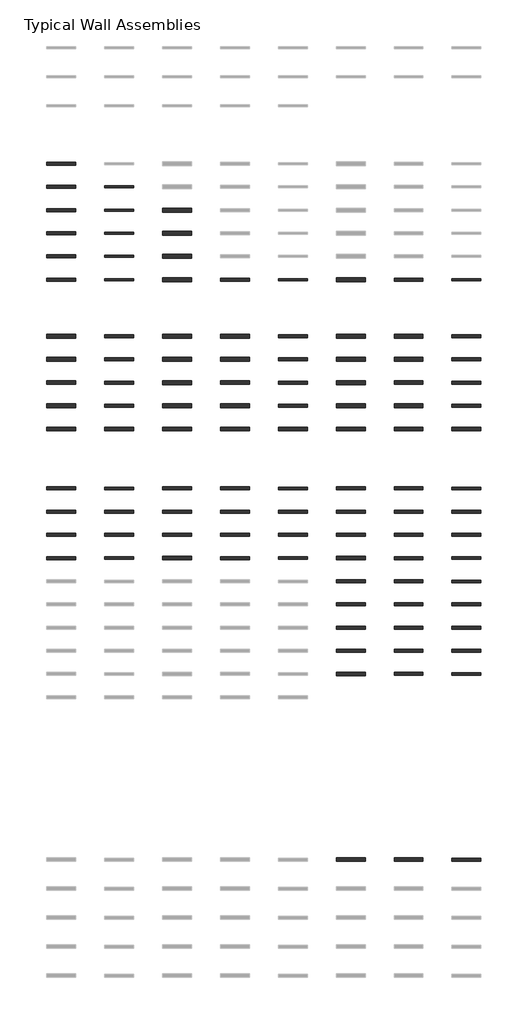
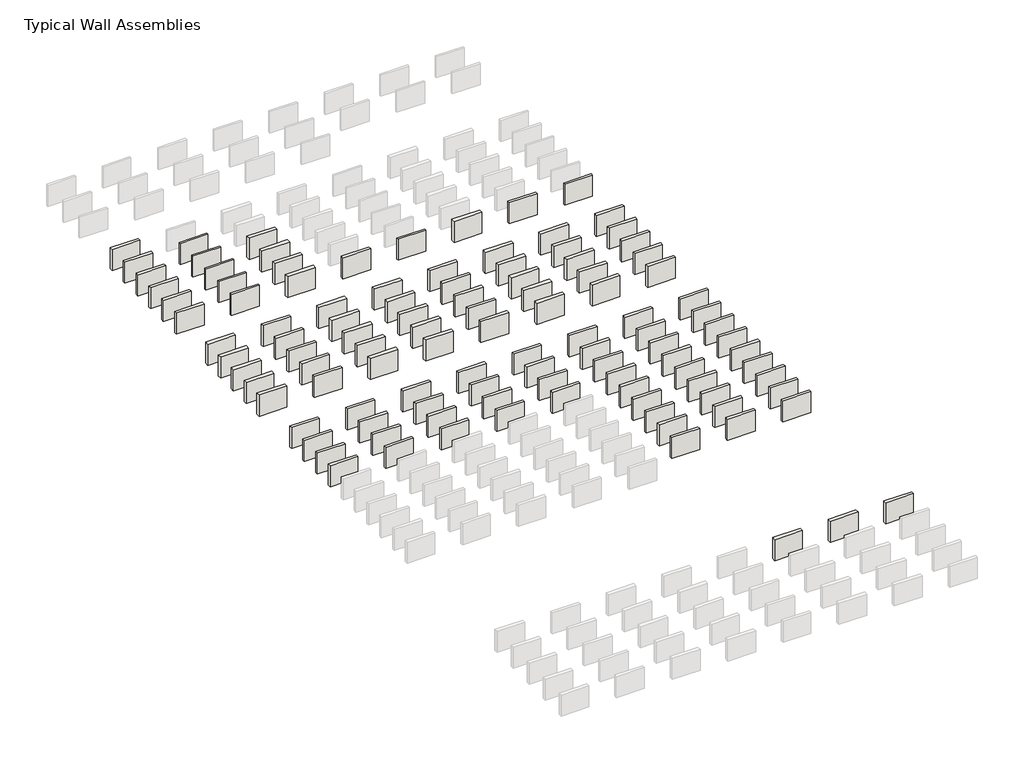
# One storey, part 6 of 8: 110 walls.
"""IFC4 building model written with IfcOpenShell, lengths in millimetres."""

from ifc_helpers import new_model, si_unit, frame, origin, place, context, project, spatial, polyline, outline, extrude, element, save

model = new_model("IFC4")

# Units and contexts
model_context = context("Model", 3, world=origin())
ifc_project = project(units=[si_unit("LENGTHUNIT", "METRE", prefix="MILLI")], contexts=[model_context])

# Site, building, storey
site = spatial("IfcSite", under=ifc_project)
building = spatial("IfcBuilding", under=site)
storey = spatial("IfcBuildingStorey", under=building, Name="Typical Wall Assemblies", Elevation=6096.0)

# Walls
placement = place(None, origin())
element("IfcWall", 1, at=placement, inside=storey, context=model_context, shape_type="SweptSolid", body=[
    extrude(outline(polyline([(3356.874931, -20287.3405068), (308.874931, -20287.3405068), (308.874931, -19963.4904983), (3356.874931, -19963.4904983), (3356.874931, -20287.3405068)])), frame((0.0, 0.0, 6096.0), z_axis=(0.0, 0.0, 1.0), x_axis=(1.0, 0.0, 0.0)), (0.0, 0.0, 1.0), 2438.4),
])
element("IfcWall", 2, at=placement, inside=storey, context=model_context, shape_type="SweptSolid", body=[
    extrude(outline(polyline([(3356.874931, -22725.7405068), (308.874931, -22725.7405068), (308.874931, -22401.8904983), (3356.874931, -22401.8904983), (3356.874931, -22725.7405068)])), frame((0.0, 0.0, 6096.0), z_axis=(0.0, 0.0, 1.0), x_axis=(1.0, 0.0, 0.0)), (0.0, 0.0, 1.0), 2438.4),
])
element("IfcWall", 3, at=placement, inside=storey, context=model_context, shape_type="SweptSolid", body=[
    extrude(outline(polyline([(9452.874931, -22665.4155056), (6404.874931, -22665.4155056), (6404.874931, -22462.2154995), (9452.874931, -22462.2154995), (9452.874931, -22665.4155056)])), frame((0.0, 0.0, 6096.0), z_axis=(0.0, 0.0, 1.0), x_axis=(1.0, 0.0, 0.0)), (0.0, 0.0, 1.0), 2438.4),
])
element("IfcWall", 4, at=placement, inside=storey, context=model_context, shape_type="SweptSolid", body=[
    extrude(outline(polyline([(3356.874931, -25164.1405068), (308.874931, -25164.1405068), (308.874931, -24840.2904983), (3356.874931, -24840.2904983), (3356.874931, -25164.1405068)])), frame((0.0, 0.0, 6096.0), z_axis=(0.0, 0.0, 1.0), x_axis=(1.0, 0.0, 0.0)), (0.0, 0.0, 1.0), 2438.4),
])
element("IfcWall", 5, at=placement, inside=storey, context=model_context, shape_type="SweptSolid", body=[
    extrude(outline(polyline([(9452.874931, -25103.8155056), (6404.874931, -25103.8155056), (6404.874931, -24900.6154995), (9452.874931, -24900.6154995), (9452.874931, -25103.8155056)])), frame((0.0, 0.0, 6096.0), z_axis=(0.0, 0.0, 1.0), x_axis=(1.0, 0.0, 0.0)), (0.0, 0.0, 1.0), 2438.4),
])
element("IfcWall", 6, at=placement, inside=storey, context=model_context, shape_type="SweptSolid", body=[
    extrude(outline(polyline([(15548.874931, -25207.7967587), (12500.874931, -25207.7967587), (12500.874931, -24796.6342464), (15548.874931, -24796.6342464), (15548.874931, -25207.7967587)])), frame((0.0, 0.0, 6096.0), z_axis=(0.0, 0.0, 1.0), x_axis=(1.0, 0.0, 0.0)), (0.0, 0.0, 1.0), 2438.4),
])
element("IfcWall", 7, at=placement, inside=storey, context=model_context, shape_type="SweptSolid", body=[
    extrude(outline(polyline([(3356.874931, -27602.5405068), (308.874931, -27602.5405068), (308.874931, -27278.6904983), (3356.874931, -27278.6904983), (3356.874931, -27602.5405068)])), frame((0.0, 0.0, 6096.0), z_axis=(0.0, 0.0, 1.0), x_axis=(1.0, 0.0, 0.0)), (0.0, 0.0, 1.0), 2438.4),
])
element("IfcWall", 8, at=placement, inside=storey, context=model_context, shape_type="SweptSolid", body=[
    extrude(outline(polyline([(9452.874931, -27542.2155056), (6404.874931, -27542.2155056), (6404.874931, -27339.0154995), (9452.874931, -27339.0154995), (9452.874931, -27542.2155056)])), frame((0.0, 0.0, 6096.0), z_axis=(0.0, 0.0, 1.0), x_axis=(1.0, 0.0, 0.0)), (0.0, 0.0, 1.0), 2438.4),
])
element("IfcWall", 9, at=placement, inside=storey, context=model_context, shape_type="SweptSolid", body=[
    extrude(outline(polyline([(15548.874931, -27646.1967587), (12500.874931, -27646.1967587), (12500.874931, -27235.0342464), (15548.874931, -27235.0342464), (15548.874931, -27646.1967587)])), frame((0.0, 0.0, 6096.0), z_axis=(0.0, 0.0, 1.0), x_axis=(1.0, 0.0, 0.0)), (0.0, 0.0, 1.0), 2438.4),
])
element("IfcWall", 10, at=placement, inside=storey, context=model_context, shape_type="SweptSolid", body=[
    extrude(outline(polyline([(3356.874931, -30040.9405068), (308.874931, -30040.9405068), (308.874931, -29717.0904983), (3356.874931, -29717.0904983), (3356.874931, -30040.9405068)])), frame((0.0, 0.0, 6096.0), z_axis=(0.0, 0.0, 1.0), x_axis=(1.0, 0.0, 0.0)), (0.0, 0.0, 1.0), 2438.4),
])
element("IfcWall", 11, at=placement, inside=storey, context=model_context, shape_type="SweptSolid", body=[
    extrude(outline(polyline([(9452.874931, -29980.6155056), (6404.874931, -29980.6155056), (6404.874931, -29777.4154995), (9452.874931, -29777.4154995), (9452.874931, -29980.6155056)])), frame((0.0, 0.0, 6096.0), z_axis=(0.0, 0.0, 1.0), x_axis=(1.0, 0.0, 0.0)), (0.0, 0.0, 1.0), 2438.4),
])
element("IfcWall", 12, at=placement, inside=storey, context=model_context, shape_type="SweptSolid", body=[
    extrude(outline(polyline([(15548.874931, -30084.5967587), (12500.874931, -30084.5967587), (12500.874931, -29673.4342464), (15548.874931, -29673.4342464), (15548.874931, -30084.5967587)])), frame((0.0, 0.0, 6096.0), z_axis=(0.0, 0.0, 1.0), x_axis=(1.0, 0.0, 0.0)), (0.0, 0.0, 1.0), 2438.4),
])
element("IfcWall", 13, at=placement, inside=storey, context=model_context, shape_type="SweptSolid", body=[
    extrude(outline(polyline([(3356.874931, -32479.3405068), (308.874931, -32479.3405068), (308.874931, -32155.4904983), (3356.874931, -32155.4904983), (3356.874931, -32479.3405068)])), frame((0.0, 0.0, 6096.0), z_axis=(0.0, 0.0, 1.0), x_axis=(1.0, 0.0, 0.0)), (0.0, 0.0, 1.0), 2438.4),
])
element("IfcWall", 14, at=placement, inside=storey, context=model_context, shape_type="SweptSolid", body=[
    extrude(outline(polyline([(9452.874931, -32419.0155056), (6404.874931, -32419.0155056), (6404.874931, -32215.8154995), (9452.874931, -32215.8154995), (9452.874931, -32419.0155056)])), frame((0.0, 0.0, 6096.0), z_axis=(0.0, 0.0, 1.0), x_axis=(1.0, 0.0, 0.0)), (0.0, 0.0, 1.0), 2438.4),
])
element("IfcWall", 15, at=placement, inside=storey, context=model_context, shape_type="SweptSolid", body=[
    extrude(outline(polyline([(15548.874931, -32522.9967587), (12500.874931, -32522.9967587), (12500.874931, -32111.8342464), (15548.874931, -32111.8342464), (15548.874931, -32522.9967587)])), frame((0.0, 0.0, 6096.0), z_axis=(0.0, 0.0, 1.0), x_axis=(1.0, 0.0, 0.0)), (0.0, 0.0, 1.0), 2438.4),
])
element("IfcWall", 16, at=placement, inside=storey, context=model_context, shape_type="SweptSolid", body=[
    extrude(outline(polyline([(21644.874931, -32479.3405068), (18596.874931, -32479.3405068), (18596.874931, -32155.4904983), (21644.874931, -32155.4904983), (21644.874931, -32479.3405068)])), frame((0.0, 0.0, 6096.0), z_axis=(0.0, 0.0, 1.0), x_axis=(1.0, 0.0, 0.0)), (0.0, 0.0, 1.0), 2438.4),
])
element("IfcWall", 17, at=placement, inside=storey, context=model_context, shape_type="SweptSolid", body=[
    extrude(outline(polyline([(27740.874931, -32419.0155056), (24692.874931, -32419.0155056), (24692.874931, -32215.8154995), (27740.874931, -32215.8154995), (27740.874931, -32419.0155056)])), frame((0.0, 0.0, 6096.0), z_axis=(0.0, 0.0, 1.0), x_axis=(1.0, 0.0, 0.0)), (0.0, 0.0, 1.0), 2438.4),
])
element("IfcWall", 18, at=placement, inside=storey, context=model_context, shape_type="SweptSolid", body=[
    extrude(outline(polyline([(33836.874931, -32522.9967587), (30788.874931, -32522.9967587), (30788.874931, -32111.8342464), (33836.874931, -32111.8342464), (33836.874931, -32522.9967587)])), frame((0.0, 0.0, 6096.0), z_axis=(0.0, 0.0, 1.0), x_axis=(1.0, 0.0, 0.0)), (0.0, 0.0, 1.0), 2438.4),
])
element("IfcWall", 19, at=placement, inside=storey, context=model_context, shape_type="SweptSolid", body=[
    extrude(outline(polyline([(39932.874931, -32479.3405068), (36884.874931, -32479.3405068), (36884.874931, -32155.4904983), (39932.874931, -32155.4904983), (39932.874931, -32479.3405068)])), frame((0.0, 0.0, 6096.0), z_axis=(0.0, 0.0, 1.0), x_axis=(1.0, 0.0, 0.0)), (0.0, 0.0, 1.0), 2438.4),
])
element("IfcWall", 20, at=placement, inside=storey, context=model_context, shape_type="SweptSolid", body=[
    extrude(outline(polyline([(46028.874931, -32419.0155056), (42980.874931, -32419.0155056), (42980.874931, -32215.8154995), (46028.874931, -32215.8154995), (46028.874931, -32419.0155056)])), frame((0.0, 0.0, 6096.0), z_axis=(0.0, 0.0, 1.0), x_axis=(1.0, 0.0, 0.0)), (0.0, 0.0, 1.0), 2438.4),
])
element("IfcWall", 21, at=placement, inside=storey, context=model_context, shape_type="SweptSolid", body=[
    extrude(outline(polyline([(3356.874931, -38461.8342587), (308.874931, -38461.8342587), (308.874931, -38060.1967464), (3356.874931, -38060.1967464), (3356.874931, -38461.8342587)])), frame((0.0, 0.0, 6096.0), z_axis=(0.0, 0.0, 1.0), x_axis=(1.0, 0.0, 0.0)), (0.0, 0.0, 1.0), 2438.4),
])
element("IfcWall", 22, at=placement, inside=storey, context=model_context, shape_type="SweptSolid", body=[
    extrude(outline(polyline([(9452.874931, -38422.9405068), (6404.874931, -38422.9405068), (6404.874931, -38099.0904983), (9452.874931, -38099.0904983), (9452.874931, -38422.9405068)])), frame((0.0, 0.0, 6096.0), z_axis=(0.0, 0.0, 1.0), x_axis=(1.0, 0.0, 0.0)), (0.0, 0.0, 1.0), 2438.4),
])
element("IfcWall", 23, at=placement, inside=storey, context=model_context, shape_type="SweptSolid", body=[
    extrude(outline(polyline([(15548.874931, -38466.5967587), (12500.874931, -38466.5967587), (12500.874931, -38055.4342464), (15548.874931, -38055.4342464), (15548.874931, -38466.5967587)])), frame((0.0, 0.0, 6096.0), z_axis=(0.0, 0.0, 1.0), x_axis=(1.0, 0.0, 0.0)), (0.0, 0.0, 1.0), 2438.4),
])
element("IfcWall", 24, at=placement, inside=storey, context=model_context, shape_type="SweptSolid", body=[
    extrude(outline(polyline([(21644.874931, -38461.8342587), (18596.874931, -38461.8342587), (18596.874931, -38060.1967464), (21644.874931, -38060.1967464), (21644.874931, -38461.8342587)])), frame((0.0, 0.0, 6096.0), z_axis=(0.0, 0.0, 1.0), x_axis=(1.0, 0.0, 0.0)), (0.0, 0.0, 1.0), 2438.4),
])
element("IfcWall", 25, at=placement, inside=storey, context=model_context, shape_type="SweptSolid", body=[
    extrude(outline(polyline([(27740.874931, -38422.9405068), (24692.874931, -38422.9405068), (24692.874931, -38099.0904983), (27740.874931, -38099.0904983), (27740.874931, -38422.9405068)])), frame((0.0, 0.0, 6096.0), z_axis=(0.0, 0.0, 1.0), x_axis=(1.0, 0.0, 0.0)), (0.0, 0.0, 1.0), 2438.4),
])
element("IfcWall", 26, at=placement, inside=storey, context=model_context, shape_type="SweptSolid", body=[
    extrude(outline(polyline([(33836.874931, -38466.5967587), (30788.874931, -38466.5967587), (30788.874931, -38055.4342464), (33836.874931, -38055.4342464), (33836.874931, -38466.5967587)])), frame((0.0, 0.0, 6096.0), z_axis=(0.0, 0.0, 1.0), x_axis=(1.0, 0.0, 0.0)), (0.0, 0.0, 1.0), 2438.4),
])
element("IfcWall", 27, at=placement, inside=storey, context=model_context, shape_type="SweptSolid", body=[
    extrude(outline(polyline([(39932.874931, -38461.8342587), (36884.874931, -38461.8342587), (36884.874931, -38060.1967464), (39932.874931, -38060.1967464), (39932.874931, -38461.8342587)])), frame((0.0, 0.0, 6096.0), z_axis=(0.0, 0.0, 1.0), x_axis=(1.0, 0.0, 0.0)), (0.0, 0.0, 1.0), 2438.4),
])
element("IfcWall", 28, at=placement, inside=storey, context=model_context, shape_type="SweptSolid", body=[
    extrude(outline(polyline([(46028.874931, -38422.9405068), (42980.874931, -38422.9405068), (42980.874931, -38099.0904983), (46028.874931, -38099.0904983), (46028.874931, -38422.9405068)])), frame((0.0, 0.0, 6096.0), z_axis=(0.0, 0.0, 1.0), x_axis=(1.0, 0.0, 0.0)), (0.0, 0.0, 1.0), 2438.4),
])
element("IfcWall", 29, at=placement, inside=storey, context=model_context, shape_type="SweptSolid", body=[
    extrude(outline(polyline([(3356.874931, -40900.2342587), (308.874931, -40900.2342587), (308.874931, -40498.5967464), (3356.874931, -40498.5967464), (3356.874931, -40900.2342587)])), frame((0.0, 0.0, 6096.0), z_axis=(0.0, 0.0, 1.0), x_axis=(1.0, 0.0, 0.0)), (0.0, 0.0, 1.0), 2438.4),
])
element("IfcWall", 30, at=placement, inside=storey, context=model_context, shape_type="SweptSolid", body=[
    extrude(outline(polyline([(9452.874931, -40861.3405068), (6404.874931, -40861.3405068), (6404.874931, -40537.4904983), (9452.874931, -40537.4904983), (9452.874931, -40861.3405068)])), frame((0.0, 0.0, 6096.0), z_axis=(0.0, 0.0, 1.0), x_axis=(1.0, 0.0, 0.0)), (0.0, 0.0, 1.0), 2438.4),
])
element("IfcWall", 31, at=placement, inside=storey, context=model_context, shape_type="SweptSolid", body=[
    extrude(outline(polyline([(15548.874931, -40904.9967587), (12500.874931, -40904.9967587), (12500.874931, -40493.8342464), (15548.874931, -40493.8342464), (15548.874931, -40904.9967587)])), frame((0.0, 0.0, 6096.0), z_axis=(0.0, 0.0, 1.0), x_axis=(1.0, 0.0, 0.0)), (0.0, 0.0, 1.0), 2438.4),
])
element("IfcWall", 32, at=placement, inside=storey, context=model_context, shape_type="SweptSolid", body=[
    extrude(outline(polyline([(21644.874931, -40900.2342587), (18596.874931, -40900.2342587), (18596.874931, -40498.5967464), (21644.874931, -40498.5967464), (21644.874931, -40900.2342587)])), frame((0.0, 0.0, 6096.0), z_axis=(0.0, 0.0, 1.0), x_axis=(1.0, 0.0, 0.0)), (0.0, 0.0, 1.0), 2438.4),
])
element("IfcWall", 33, at=placement, inside=storey, context=model_context, shape_type="SweptSolid", body=[
    extrude(outline(polyline([(27740.874931, -40861.3405068), (24692.874931, -40861.3405068), (24692.874931, -40537.4904983), (27740.874931, -40537.4904983), (27740.874931, -40861.3405068)])), frame((0.0, 0.0, 6096.0), z_axis=(0.0, 0.0, 1.0), x_axis=(1.0, 0.0, 0.0)), (0.0, 0.0, 1.0), 2438.4),
])
element("IfcWall", 34, at=placement, inside=storey, context=model_context, shape_type="SweptSolid", body=[
    extrude(outline(polyline([(33836.874931, -40904.9967587), (30788.874931, -40904.9967587), (30788.874931, -40493.8342464), (33836.874931, -40493.8342464), (33836.874931, -40904.9967587)])), frame((0.0, 0.0, 6096.0), z_axis=(0.0, 0.0, 1.0), x_axis=(1.0, 0.0, 0.0)), (0.0, 0.0, 1.0), 2438.4),
])
element("IfcWall", 35, at=placement, inside=storey, context=model_context, shape_type="SweptSolid", body=[
    extrude(outline(polyline([(39932.874931, -40900.2342587), (36884.874931, -40900.2342587), (36884.874931, -40498.5967464), (39932.874931, -40498.5967464), (39932.874931, -40900.2342587)])), frame((0.0, 0.0, 6096.0), z_axis=(0.0, 0.0, 1.0), x_axis=(1.0, 0.0, 0.0)), (0.0, 0.0, 1.0), 2438.4),
])
element("IfcWall", 36, at=placement, inside=storey, context=model_context, shape_type="SweptSolid", body=[
    extrude(outline(polyline([(46028.874931, -40861.3405068), (42980.874931, -40861.3405068), (42980.874931, -40537.4904983), (46028.874931, -40537.4904983), (46028.874931, -40861.3405068)])), frame((0.0, 0.0, 6096.0), z_axis=(0.0, 0.0, 1.0), x_axis=(1.0, 0.0, 0.0)), (0.0, 0.0, 1.0), 2438.4),
])
element("IfcWall", 37, at=placement, inside=storey, context=model_context, shape_type="SweptSolid", body=[
    extrude(outline(polyline([(3356.874931, -43338.6342587), (308.874931, -43338.6342587), (308.874931, -42936.9967464), (3356.874931, -42936.9967464), (3356.874931, -43338.6342587)])), frame((0.0, 0.0, 6096.0), z_axis=(0.0, 0.0, 1.0), x_axis=(1.0, 0.0, 0.0)), (0.0, 0.0, 1.0), 2438.4),
])
element("IfcWall", 38, at=placement, inside=storey, context=model_context, shape_type="SweptSolid", body=[
    extrude(outline(polyline([(9452.874931, -43299.7405068), (6404.874931, -43299.7405068), (6404.874931, -42975.8904983), (9452.874931, -42975.8904983), (9452.874931, -43299.7405068)])), frame((0.0, 0.0, 6096.0), z_axis=(0.0, 0.0, 1.0), x_axis=(1.0, 0.0, 0.0)), (0.0, 0.0, 1.0), 2438.4),
])
element("IfcWall", 39, at=placement, inside=storey, context=model_context, shape_type="SweptSolid", body=[
    extrude(outline(polyline([(15548.874931, -43343.3967587), (12500.874931, -43343.3967587), (12500.874931, -42932.2342464), (15548.874931, -42932.2342464), (15548.874931, -43343.3967587)])), frame((0.0, 0.0, 6096.0), z_axis=(0.0, 0.0, 1.0), x_axis=(1.0, 0.0, 0.0)), (0.0, 0.0, 1.0), 2438.4),
])
element("IfcWall", 40, at=placement, inside=storey, context=model_context, shape_type="SweptSolid", body=[
    extrude(outline(polyline([(21644.874931, -43338.6342587), (18596.874931, -43338.6342587), (18596.874931, -42936.9967464), (21644.874931, -42936.9967464), (21644.874931, -43338.6342587)])), frame((0.0, 0.0, 6096.0), z_axis=(0.0, 0.0, 1.0), x_axis=(1.0, 0.0, 0.0)), (0.0, 0.0, 1.0), 2438.4),
])
element("IfcWall", 41, at=placement, inside=storey, context=model_context, shape_type="SweptSolid", body=[
    extrude(outline(polyline([(27740.874931, -43299.7405068), (24692.874931, -43299.7405068), (24692.874931, -42975.8904983), (27740.874931, -42975.8904983), (27740.874931, -43299.7405068)])), frame((0.0, 0.0, 6096.0), z_axis=(0.0, 0.0, 1.0), x_axis=(1.0, 0.0, 0.0)), (0.0, 0.0, 1.0), 2438.4),
])
element("IfcWall", 42, at=placement, inside=storey, context=model_context, shape_type="SweptSolid", body=[
    extrude(outline(polyline([(33836.874931, -43343.3967587), (30788.874931, -43343.3967587), (30788.874931, -42932.2342464), (33836.874931, -42932.2342464), (33836.874931, -43343.3967587)])), frame((0.0, 0.0, 6096.0), z_axis=(0.0, 0.0, 1.0), x_axis=(1.0, 0.0, 0.0)), (0.0, 0.0, 1.0), 2438.4),
])
element("IfcWall", 43, at=placement, inside=storey, context=model_context, shape_type="SweptSolid", body=[
    extrude(outline(polyline([(39932.874931, -43338.6342587), (36884.874931, -43338.6342587), (36884.874931, -42936.9967464), (39932.874931, -42936.9967464), (39932.874931, -43338.6342587)])), frame((0.0, 0.0, 6096.0), z_axis=(0.0, 0.0, 1.0), x_axis=(1.0, 0.0, 0.0)), (0.0, 0.0, 1.0), 2438.4),
])
element("IfcWall", 44, at=placement, inside=storey, context=model_context, shape_type="SweptSolid", body=[
    extrude(outline(polyline([(46028.874931, -43299.7405068), (42980.874931, -43299.7405068), (42980.874931, -42975.8904983), (46028.874931, -42975.8904983), (46028.874931, -43299.7405068)])), frame((0.0, 0.0, 6096.0), z_axis=(0.0, 0.0, 1.0), x_axis=(1.0, 0.0, 0.0)), (0.0, 0.0, 1.0), 2438.4),
])
element("IfcWall", 45, at=placement, inside=storey, context=model_context, shape_type="SweptSolid", body=[
    extrude(outline(polyline([(3356.874931, -45777.0342587), (308.874931, -45777.0342587), (308.874931, -45375.3967464), (3356.874931, -45375.3967464), (3356.874931, -45777.0342587)])), frame((0.0, 0.0, 6096.0), z_axis=(0.0, 0.0, 1.0), x_axis=(1.0, 0.0, 0.0)), (0.0, 0.0, 1.0), 2438.4),
])
element("IfcWall", 46, at=placement, inside=storey, context=model_context, shape_type="SweptSolid", body=[
    extrude(outline(polyline([(9452.874931, -45738.1405068), (6404.874931, -45738.1405068), (6404.874931, -45414.2904983), (9452.874931, -45414.2904983), (9452.874931, -45738.1405068)])), frame((0.0, 0.0, 6096.0), z_axis=(0.0, 0.0, 1.0), x_axis=(1.0, 0.0, 0.0)), (0.0, 0.0, 1.0), 2438.4),
])
element("IfcWall", 47, at=placement, inside=storey, context=model_context, shape_type="SweptSolid", body=[
    extrude(outline(polyline([(15548.874931, -45781.7967587), (12500.874931, -45781.7967587), (12500.874931, -45370.6342464), (15548.874931, -45370.6342464), (15548.874931, -45781.7967587)])), frame((0.0, 0.0, 6096.0), z_axis=(0.0, 0.0, 1.0), x_axis=(1.0, 0.0, 0.0)), (0.0, 0.0, 1.0), 2438.4),
])
element("IfcWall", 48, at=placement, inside=storey, context=model_context, shape_type="SweptSolid", body=[
    extrude(outline(polyline([(21644.874931, -45777.0342587), (18596.874931, -45777.0342587), (18596.874931, -45375.3967464), (21644.874931, -45375.3967464), (21644.874931, -45777.0342587)])), frame((0.0, 0.0, 6096.0), z_axis=(0.0, 0.0, 1.0), x_axis=(1.0, 0.0, 0.0)), (0.0, 0.0, 1.0), 2438.4),
])
element("IfcWall", 49, at=placement, inside=storey, context=model_context, shape_type="SweptSolid", body=[
    extrude(outline(polyline([(27740.874931, -45738.1405068), (24692.874931, -45738.1405068), (24692.874931, -45414.2904983), (27740.874931, -45414.2904983), (27740.874931, -45738.1405068)])), frame((0.0, 0.0, 6096.0), z_axis=(0.0, 0.0, 1.0), x_axis=(1.0, 0.0, 0.0)), (0.0, 0.0, 1.0), 2438.4),
])
element("IfcWall", 50, at=placement, inside=storey, context=model_context, shape_type="SweptSolid", body=[
    extrude(outline(polyline([(33836.874931, -45781.7967587), (30788.874931, -45781.7967587), (30788.874931, -45370.6342464), (33836.874931, -45370.6342464), (33836.874931, -45781.7967587)])), frame((0.0, 0.0, 6096.0), z_axis=(0.0, 0.0, 1.0), x_axis=(1.0, 0.0, 0.0)), (0.0, 0.0, 1.0), 2438.4),
])
element("IfcWall", 51, at=placement, inside=storey, context=model_context, shape_type="SweptSolid", body=[
    extrude(outline(polyline([(39932.874931, -45777.0342587), (36884.874931, -45777.0342587), (36884.874931, -45375.3967464), (39932.874931, -45375.3967464), (39932.874931, -45777.0342587)])), frame((0.0, 0.0, 6096.0), z_axis=(0.0, 0.0, 1.0), x_axis=(1.0, 0.0, 0.0)), (0.0, 0.0, 1.0), 2438.4),
])
element("IfcWall", 52, at=placement, inside=storey, context=model_context, shape_type="SweptSolid", body=[
    extrude(outline(polyline([(46028.874931, -45738.1405068), (42980.874931, -45738.1405068), (42980.874931, -45414.2904983), (46028.874931, -45414.2904983), (46028.874931, -45738.1405068)])), frame((0.0, 0.0, 6096.0), z_axis=(0.0, 0.0, 1.0), x_axis=(1.0, 0.0, 0.0)), (0.0, 0.0, 1.0), 2438.4),
])
element("IfcWall", 53, at=placement, inside=storey, context=model_context, shape_type="SweptSolid", body=[
    extrude(outline(polyline([(3356.874931, -48215.4342587), (308.874931, -48215.4342587), (308.874931, -47813.7967464), (3356.874931, -47813.7967464), (3356.874931, -48215.4342587)])), frame((0.0, 0.0, 6096.0), z_axis=(0.0, 0.0, 1.0), x_axis=(1.0, 0.0, 0.0)), (0.0, 0.0, 1.0), 2438.4),
])
element("IfcWall", 54, at=placement, inside=storey, context=model_context, shape_type="SweptSolid", body=[
    extrude(outline(polyline([(9452.874931, -48176.5405068), (6404.874931, -48176.5405068), (6404.874931, -47852.6904983), (9452.874931, -47852.6904983), (9452.874931, -48176.5405068)])), frame((0.0, 0.0, 6096.0), z_axis=(0.0, 0.0, 1.0), x_axis=(1.0, 0.0, 0.0)), (0.0, 0.0, 1.0), 2438.4),
])
element("IfcWall", 55, at=placement, inside=storey, context=model_context, shape_type="SweptSolid", body=[
    extrude(outline(polyline([(15548.874931, -48220.1967587), (12500.874931, -48220.1967587), (12500.874931, -47809.0342464), (15548.874931, -47809.0342464), (15548.874931, -48220.1967587)])), frame((0.0, 0.0, 6096.0), z_axis=(0.0, 0.0, 1.0), x_axis=(1.0, 0.0, 0.0)), (0.0, 0.0, 1.0), 2438.4),
])
element("IfcWall", 56, at=placement, inside=storey, context=model_context, shape_type="SweptSolid", body=[
    extrude(outline(polyline([(21644.874931, -48215.4342587), (18596.874931, -48215.4342587), (18596.874931, -47813.7967464), (21644.874931, -47813.7967464), (21644.874931, -48215.4342587)])), frame((0.0, 0.0, 6096.0), z_axis=(0.0, 0.0, 1.0), x_axis=(1.0, 0.0, 0.0)), (0.0, 0.0, 1.0), 2438.4),
])
element("IfcWall", 57, at=placement, inside=storey, context=model_context, shape_type="SweptSolid", body=[
    extrude(outline(polyline([(27740.874931, -48176.5405068), (24692.874931, -48176.5405068), (24692.874931, -47852.6904983), (27740.874931, -47852.6904983), (27740.874931, -48176.5405068)])), frame((0.0, 0.0, 6096.0), z_axis=(0.0, 0.0, 1.0), x_axis=(1.0, 0.0, 0.0)), (0.0, 0.0, 1.0), 2438.4),
])
element("IfcWall", 58, at=placement, inside=storey, context=model_context, shape_type="SweptSolid", body=[
    extrude(outline(polyline([(33836.874931, -48220.1967587), (30788.874931, -48220.1967587), (30788.874931, -47809.0342464), (33836.874931, -47809.0342464), (33836.874931, -48220.1967587)])), frame((0.0, 0.0, 6096.0), z_axis=(0.0, 0.0, 1.0), x_axis=(1.0, 0.0, 0.0)), (0.0, 0.0, 1.0), 2438.4),
])
element("IfcWall", 59, at=placement, inside=storey, context=model_context, shape_type="SweptSolid", body=[
    extrude(outline(polyline([(39932.874931, -48215.4342587), (36884.874931, -48215.4342587), (36884.874931, -47813.7967464), (39932.874931, -47813.7967464), (39932.874931, -48215.4342587)])), frame((0.0, 0.0, 6096.0), z_axis=(0.0, 0.0, 1.0), x_axis=(1.0, 0.0, 0.0)), (0.0, 0.0, 1.0), 2438.4),
])
element("IfcWall", 60, at=placement, inside=storey, context=model_context, shape_type="SweptSolid", body=[
    extrude(outline(polyline([(46028.874931, -48176.5405068), (42980.874931, -48176.5405068), (42980.874931, -47852.6904983), (46028.874931, -47852.6904983), (46028.874931, -48176.5405068)])), frame((0.0, 0.0, 6096.0), z_axis=(0.0, 0.0, 1.0), x_axis=(1.0, 0.0, 0.0)), (0.0, 0.0, 1.0), 2438.4),
])
element("IfcWall", 61, at=placement, inside=storey, context=model_context, shape_type="SweptSolid", body=[
    extrude(outline(polyline([(3356.874931, -54420.9717574), (308.874931, -54420.9717574), (308.874931, -54105.0592477), (3356.874931, -54105.0592477), (3356.874931, -54420.9717574)])), frame((0.0, 0.0, 6096.0), z_axis=(0.0, 0.0, 1.0), x_axis=(1.0, 0.0, 0.0)), (0.0, 0.0, 1.0), 2438.4),
])
element("IfcWall", 62, at=placement, inside=storey, context=model_context, shape_type="SweptSolid", body=[
    extrude(outline(polyline([(9452.874931, -54410.6530064), (6404.874931, -54410.6530064), (6404.874931, -54115.3779987), (9452.874931, -54115.3779987), (9452.874931, -54410.6530064)])), frame((0.0, 0.0, 6096.0), z_axis=(0.0, 0.0, 1.0), x_axis=(1.0, 0.0, 0.0)), (0.0, 0.0, 1.0), 2438.4),
])
element("IfcWall", 63, at=placement, inside=storey, context=model_context, shape_type="SweptSolid", body=[
    extrude(outline(polyline([(15548.874931, -54425.7342574), (12500.874931, -54425.7342574), (12500.874931, -54100.2967477), (15548.874931, -54100.2967477), (15548.874931, -54425.7342574)])), frame((0.0, 0.0, 6096.0), z_axis=(0.0, 0.0, 1.0), x_axis=(1.0, 0.0, 0.0)), (0.0, 0.0, 1.0), 2438.4),
])
element("IfcWall", 64, at=placement, inside=storey, context=model_context, shape_type="SweptSolid", body=[
    extrude(outline(polyline([(21644.874931, -54420.9717574), (18596.874931, -54420.9717574), (18596.874931, -54105.0592477), (21644.874931, -54105.0592477), (21644.874931, -54420.9717574)])), frame((0.0, 0.0, 6096.0), z_axis=(0.0, 0.0, 1.0), x_axis=(1.0, 0.0, 0.0)), (0.0, 0.0, 1.0), 2438.4),
])
element("IfcWall", 65, at=placement, inside=storey, context=model_context, shape_type="SweptSolid", body=[
    extrude(outline(polyline([(27740.874931, -54410.6530064), (24692.874931, -54410.6530064), (24692.874931, -54115.3779987), (27740.874931, -54115.3779987), (27740.874931, -54410.6530064)])), frame((0.0, 0.0, 6096.0), z_axis=(0.0, 0.0, 1.0), x_axis=(1.0, 0.0, 0.0)), (0.0, 0.0, 1.0), 2438.4),
])
element("IfcWall", 66, at=placement, inside=storey, context=model_context, shape_type="SweptSolid", body=[
    extrude(outline(polyline([(33836.874931, -54425.7342574), (30788.874931, -54425.7342574), (30788.874931, -54100.2967477), (33836.874931, -54100.2967477), (33836.874931, -54425.7342574)])), frame((0.0, 0.0, 6096.0), z_axis=(0.0, 0.0, 1.0), x_axis=(1.0, 0.0, 0.0)), (0.0, 0.0, 1.0), 2438.4),
])
element("IfcWall", 67, at=placement, inside=storey, context=model_context, shape_type="SweptSolid", body=[
    extrude(outline(polyline([(39932.874931, -54420.9717574), (36884.874931, -54420.9717574), (36884.874931, -54105.0592477), (39932.874931, -54105.0592477), (39932.874931, -54420.9717574)])), frame((0.0, 0.0, 6096.0), z_axis=(0.0, 0.0, 1.0), x_axis=(1.0, 0.0, 0.0)), (0.0, 0.0, 1.0), 2438.4),
])
element("IfcWall", 68, at=placement, inside=storey, context=model_context, shape_type="SweptSolid", body=[
    extrude(outline(polyline([(46028.874931, -54410.6530064), (42980.874931, -54410.6530064), (42980.874931, -54115.3779987), (46028.874931, -54115.3779987), (46028.874931, -54410.6530064)])), frame((0.0, 0.0, 6096.0), z_axis=(0.0, 0.0, 1.0), x_axis=(1.0, 0.0, 0.0)), (0.0, 0.0, 1.0), 2438.4),
])
element("IfcWall", 69, at=placement, inside=storey, context=model_context, shape_type="SweptSolid", body=[
    extrude(outline(polyline([(46028.874931, -93432.9905038), (42980.874931, -93432.9905038), (42980.874931, -93121.8405013), (46028.874931, -93121.8405013), (46028.874931, -93432.9905038)])), frame((0.0, 0.0, 6096.0), z_axis=(0.0, 0.0, 1.0), x_axis=(1.0, 0.0, 0.0)), (0.0, 0.0, 1.0), 2438.4),
])
element("IfcWall", 70, at=placement, inside=storey, context=model_context, shape_type="SweptSolid", body=[
    extrude(outline(polyline([(3356.874931, -56859.3717574), (308.874931, -56859.3717574), (308.874931, -56543.4592477), (3356.874931, -56543.4592477), (3356.874931, -56859.3717574)])), frame((0.0, 0.0, 6096.0), z_axis=(0.0, 0.0, 1.0), x_axis=(1.0, 0.0, 0.0)), (0.0, 0.0, 1.0), 2438.4),
])
element("IfcWall", 71, at=placement, inside=storey, context=model_context, shape_type="SweptSolid", body=[
    extrude(outline(polyline([(9452.874931, -56849.0530064), (6404.874931, -56849.0530064), (6404.874931, -56553.7779987), (9452.874931, -56553.7779987), (9452.874931, -56849.0530064)])), frame((0.0, 0.0, 6096.0), z_axis=(0.0, 0.0, 1.0), x_axis=(1.0, 0.0, 0.0)), (0.0, 0.0, 1.0), 2438.4),
])
element("IfcWall", 72, at=placement, inside=storey, context=model_context, shape_type="SweptSolid", body=[
    extrude(outline(polyline([(15548.874931, -56864.1342574), (12500.874931, -56864.1342574), (12500.874931, -56538.6967477), (15548.874931, -56538.6967477), (15548.874931, -56864.1342574)])), frame((0.0, 0.0, 6096.0), z_axis=(0.0, 0.0, 1.0), x_axis=(1.0, 0.0, 0.0)), (0.0, 0.0, 1.0), 2438.4),
])
element("IfcWall", 73, at=placement, inside=storey, context=model_context, shape_type="SweptSolid", body=[
    extrude(outline(polyline([(21644.874931, -56859.3717574), (18596.874931, -56859.3717574), (18596.874931, -56543.4592477), (21644.874931, -56543.4592477), (21644.874931, -56859.3717574)])), frame((0.0, 0.0, 6096.0), z_axis=(0.0, 0.0, 1.0), x_axis=(1.0, 0.0, 0.0)), (0.0, 0.0, 1.0), 2438.4),
])
element("IfcWall", 74, at=placement, inside=storey, context=model_context, shape_type="SweptSolid", body=[
    extrude(outline(polyline([(27740.874931, -56849.0530064), (24692.874931, -56849.0530064), (24692.874931, -56553.7779987), (27740.874931, -56553.7779987), (27740.874931, -56849.0530064)])), frame((0.0, 0.0, 6096.0), z_axis=(0.0, 0.0, 1.0), x_axis=(1.0, 0.0, 0.0)), (0.0, 0.0, 1.0), 2438.4),
])
element("IfcWall", 75, at=placement, inside=storey, context=model_context, shape_type="SweptSolid", body=[
    extrude(outline(polyline([(33836.874931, -56864.1342574), (30788.874931, -56864.1342574), (30788.874931, -56538.6967477), (33836.874931, -56538.6967477), (33836.874931, -56864.1342574)])), frame((0.0, 0.0, 6096.0), z_axis=(0.0, 0.0, 1.0), x_axis=(1.0, 0.0, 0.0)), (0.0, 0.0, 1.0), 2438.4),
])
element("IfcWall", 76, at=placement, inside=storey, context=model_context, shape_type="SweptSolid", body=[
    extrude(outline(polyline([(39932.874931, -56859.3717574), (36884.874931, -56859.3717574), (36884.874931, -56543.4592477), (39932.874931, -56543.4592477), (39932.874931, -56859.3717574)])), frame((0.0, 0.0, 6096.0), z_axis=(0.0, 0.0, 1.0), x_axis=(1.0, 0.0, 0.0)), (0.0, 0.0, 1.0), 2438.4),
])
element("IfcWall", 77, at=placement, inside=storey, context=model_context, shape_type="SweptSolid", body=[
    extrude(outline(polyline([(46028.874931, -56849.0530064), (42980.874931, -56849.0530064), (42980.874931, -56553.7779987), (46028.874931, -56553.7779987), (46028.874931, -56849.0530064)])), frame((0.0, 0.0, 6096.0), z_axis=(0.0, 0.0, 1.0), x_axis=(1.0, 0.0, 0.0)), (0.0, 0.0, 1.0), 2438.4),
])
element("IfcWall", 78, at=placement, inside=storey, context=model_context, shape_type="SweptSolid", body=[
    extrude(outline(polyline([(3356.874931, -59297.7717574), (308.874931, -59297.7717574), (308.874931, -58981.8592477), (3356.874931, -58981.8592477), (3356.874931, -59297.7717574)])), frame((0.0, 0.0, 6096.0), z_axis=(0.0, 0.0, 1.0), x_axis=(1.0, 0.0, 0.0)), (0.0, 0.0, 1.0), 2438.4),
])
element("IfcWall", 79, at=placement, inside=storey, context=model_context, shape_type="SweptSolid", body=[
    extrude(outline(polyline([(9452.874931, -59287.4530064), (6404.874931, -59287.4530064), (6404.874931, -58992.1779987), (9452.874931, -58992.1779987), (9452.874931, -59287.4530064)])), frame((0.0, 0.0, 6096.0), z_axis=(0.0, 0.0, 1.0), x_axis=(1.0, 0.0, 0.0)), (0.0, 0.0, 1.0), 2438.4),
])
element("IfcWall", 80, at=placement, inside=storey, context=model_context, shape_type="SweptSolid", body=[
    extrude(outline(polyline([(15548.874931, -59302.5342574), (12500.874931, -59302.5342574), (12500.874931, -58977.0967477), (15548.874931, -58977.0967477), (15548.874931, -59302.5342574)])), frame((0.0, 0.0, 6096.0), z_axis=(0.0, 0.0, 1.0), x_axis=(1.0, 0.0, 0.0)), (0.0, 0.0, 1.0), 2438.4),
])
element("IfcWall", 81, at=placement, inside=storey, context=model_context, shape_type="SweptSolid", body=[
    extrude(outline(polyline([(21644.874931, -59297.7717574), (18596.874931, -59297.7717574), (18596.874931, -58981.8592477), (21644.874931, -58981.8592477), (21644.874931, -59297.7717574)])), frame((0.0, 0.0, 6096.0), z_axis=(0.0, 0.0, 1.0), x_axis=(1.0, 0.0, 0.0)), (0.0, 0.0, 1.0), 2438.4),
])
element("IfcWall", 82, at=placement, inside=storey, context=model_context, shape_type="SweptSolid", body=[
    extrude(outline(polyline([(27740.874931, -59287.4530064), (24692.874931, -59287.4530064), (24692.874931, -58992.1779987), (27740.874931, -58992.1779987), (27740.874931, -59287.4530064)])), frame((0.0, 0.0, 6096.0), z_axis=(0.0, 0.0, 1.0), x_axis=(1.0, 0.0, 0.0)), (0.0, 0.0, 1.0), 2438.4),
])
element("IfcWall", 83, at=placement, inside=storey, context=model_context, shape_type="SweptSolid", body=[
    extrude(outline(polyline([(33836.874931, -59302.5342574), (30788.874931, -59302.5342574), (30788.874931, -58977.0967477), (33836.874931, -58977.0967477), (33836.874931, -59302.5342574)])), frame((0.0, 0.0, 6096.0), z_axis=(0.0, 0.0, 1.0), x_axis=(1.0, 0.0, 0.0)), (0.0, 0.0, 1.0), 2438.4),
])
element("IfcWall", 84, at=placement, inside=storey, context=model_context, shape_type="SweptSolid", body=[
    extrude(outline(polyline([(39932.874931, -59297.7717574), (36884.874931, -59297.7717574), (36884.874931, -58981.8592477), (39932.874931, -58981.8592477), (39932.874931, -59297.7717574)])), frame((0.0, 0.0, 6096.0), z_axis=(0.0, 0.0, 1.0), x_axis=(1.0, 0.0, 0.0)), (0.0, 0.0, 1.0), 2438.4),
])
element("IfcWall", 85, at=placement, inside=storey, context=model_context, shape_type="SweptSolid", body=[
    extrude(outline(polyline([(46028.874931, -59287.4530064), (42980.874931, -59287.4530064), (42980.874931, -58992.1779987), (46028.874931, -58992.1779987), (46028.874931, -59287.4530064)])), frame((0.0, 0.0, 6096.0), z_axis=(0.0, 0.0, 1.0), x_axis=(1.0, 0.0, 0.0)), (0.0, 0.0, 1.0), 2438.4),
])
element("IfcWall", 86, at=placement, inside=storey, context=model_context, shape_type="SweptSolid", body=[
    extrude(outline(polyline([(3356.874931, -61736.1717574), (308.874931, -61736.1717574), (308.874931, -61420.2592477), (3356.874931, -61420.2592477), (3356.874931, -61736.1717574)])), frame((0.0, 0.0, 6096.0), z_axis=(0.0, 0.0, 1.0), x_axis=(1.0, 0.0, 0.0)), (0.0, 0.0, 1.0), 2438.4),
])
element("IfcWall", 87, at=placement, inside=storey, context=model_context, shape_type="SweptSolid", body=[
    extrude(outline(polyline([(9452.874931, -61725.8530064), (6404.874931, -61725.8530064), (6404.874931, -61430.5779987), (9452.874931, -61430.5779987), (9452.874931, -61725.8530064)])), frame((0.0, 0.0, 6096.0), z_axis=(0.0, 0.0, 1.0), x_axis=(1.0, 0.0, 0.0)), (0.0, 0.0, 1.0), 2438.4),
])
element("IfcWall", 88, at=placement, inside=storey, context=model_context, shape_type="SweptSolid", body=[
    extrude(outline(polyline([(15548.874931, -61740.9342574), (12500.874931, -61740.9342574), (12500.874931, -61415.4967477), (15548.874931, -61415.4967477), (15548.874931, -61740.9342574)])), frame((0.0, 0.0, 6096.0), z_axis=(0.0, 0.0, 1.0), x_axis=(1.0, 0.0, 0.0)), (0.0, 0.0, 1.0), 2438.4),
])
element("IfcWall", 89, at=placement, inside=storey, context=model_context, shape_type="SweptSolid", body=[
    extrude(outline(polyline([(21644.874931, -61736.1717574), (18596.874931, -61736.1717574), (18596.874931, -61420.2592477), (21644.874931, -61420.2592477), (21644.874931, -61736.1717574)])), frame((0.0, 0.0, 6096.0), z_axis=(0.0, 0.0, 1.0), x_axis=(1.0, 0.0, 0.0)), (0.0, 0.0, 1.0), 2438.4),
])
element("IfcWall", 90, at=placement, inside=storey, context=model_context, shape_type="SweptSolid", body=[
    extrude(outline(polyline([(27740.874931, -61725.8530064), (24692.874931, -61725.8530064), (24692.874931, -61430.5779987), (27740.874931, -61430.5779987), (27740.874931, -61725.8530064)])), frame((0.0, 0.0, 6096.0), z_axis=(0.0, 0.0, 1.0), x_axis=(1.0, 0.0, 0.0)), (0.0, 0.0, 1.0), 2438.4),
])
element("IfcWall", 91, at=placement, inside=storey, context=model_context, shape_type="SweptSolid", body=[
    extrude(outline(polyline([(33836.874931, -61740.9342574), (30788.874931, -61740.9342574), (30788.874931, -61415.4967477), (33836.874931, -61415.4967477), (33836.874931, -61740.9342574)])), frame((0.0, 0.0, 6096.0), z_axis=(0.0, 0.0, 1.0), x_axis=(1.0, 0.0, 0.0)), (0.0, 0.0, 1.0), 2438.4),
])
element("IfcWall", 92, at=placement, inside=storey, context=model_context, shape_type="SweptSolid", body=[
    extrude(outline(polyline([(39932.874931, -61736.1717574), (36884.874931, -61736.1717574), (36884.874931, -61420.2592477), (39932.874931, -61420.2592477), (39932.874931, -61736.1717574)])), frame((0.0, 0.0, 6096.0), z_axis=(0.0, 0.0, 1.0), x_axis=(1.0, 0.0, 0.0)), (0.0, 0.0, 1.0), 2438.4),
])
element("IfcWall", 93, at=placement, inside=storey, context=model_context, shape_type="SweptSolid", body=[
    extrude(outline(polyline([(46028.874931, -61725.8530064), (42980.874931, -61725.8530064), (42980.874931, -61430.5779987), (46028.874931, -61430.5779987), (46028.874931, -61725.8530064)])), frame((0.0, 0.0, 6096.0), z_axis=(0.0, 0.0, 1.0), x_axis=(1.0, 0.0, 0.0)), (0.0, 0.0, 1.0), 2438.4),
])
element("IfcWall", 94, at=placement, inside=storey, context=model_context, shape_type="SweptSolid", body=[
    extrude(outline(polyline([(33836.874931, -64204.7342574), (30788.874931, -64204.7342574), (30788.874931, -63879.2967477), (33836.874931, -63879.2967477), (33836.874931, -64204.7342574)])), frame((0.0, 0.0, 6096.0), z_axis=(0.0, 0.0, 1.0), x_axis=(1.0, 0.0, 0.0)), (0.0, 0.0, 1.0), 2438.4),
])
element("IfcWall", 95, at=placement, inside=storey, context=model_context, shape_type="SweptSolid", body=[
    extrude(outline(polyline([(39932.874931, -64199.9717574), (36884.874931, -64199.9717574), (36884.874931, -63884.0592477), (39932.874931, -63884.0592477), (39932.874931, -64199.9717574)])), frame((0.0, 0.0, 6096.0), z_axis=(0.0, 0.0, 1.0), x_axis=(1.0, 0.0, 0.0)), (0.0, 0.0, 1.0), 2438.4),
])
element("IfcWall", 96, at=placement, inside=storey, context=model_context, shape_type="SweptSolid", body=[
    extrude(outline(polyline([(46028.874931, -64189.6530064), (42980.874931, -64189.6530064), (42980.874931, -63894.3779987), (46028.874931, -63894.3779987), (46028.874931, -64189.6530064)])), frame((0.0, 0.0, 6096.0), z_axis=(0.0, 0.0, 1.0), x_axis=(1.0, 0.0, 0.0)), (0.0, 0.0, 1.0), 2438.4),
])
element("IfcWall", 97, at=placement, inside=storey, context=model_context, shape_type="SweptSolid", body=[
    extrude(outline(polyline([(33836.874931, -66617.7342574), (30788.874931, -66617.7342574), (30788.874931, -66292.2967477), (33836.874931, -66292.2967477), (33836.874931, -66617.7342574)])), frame((0.0, 0.0, 6096.0), z_axis=(0.0, 0.0, 1.0), x_axis=(1.0, 0.0, 0.0)), (0.0, 0.0, 1.0), 2438.4),
])
element("IfcWall", 98, at=placement, inside=storey, context=model_context, shape_type="SweptSolid", body=[
    extrude(outline(polyline([(39932.874931, -66612.9717574), (36884.874931, -66612.9717574), (36884.874931, -66297.0592477), (39932.874931, -66297.0592477), (39932.874931, -66612.9717574)])), frame((0.0, 0.0, 6096.0), z_axis=(0.0, 0.0, 1.0), x_axis=(1.0, 0.0, 0.0)), (0.0, 0.0, 1.0), 2438.4),
])
element("IfcWall", 99, at=placement, inside=storey, context=model_context, shape_type="SweptSolid", body=[
    extrude(outline(polyline([(46028.874931, -66602.6530064), (42980.874931, -66602.6530064), (42980.874931, -66307.3779987), (46028.874931, -66307.3779987), (46028.874931, -66602.6530064)])), frame((0.0, 0.0, 6096.0), z_axis=(0.0, 0.0, 1.0), x_axis=(1.0, 0.0, 0.0)), (0.0, 0.0, 1.0), 2438.4),
])
element("IfcWall", 100, at=placement, inside=storey, context=model_context, shape_type="SweptSolid", body=[
    extrude(outline(polyline([(33836.874931, -69056.1342574), (30788.874931, -69056.1342574), (30788.874931, -68730.6967477), (33836.874931, -68730.6967477), (33836.874931, -69056.1342574)])), frame((0.0, 0.0, 6096.0), z_axis=(0.0, 0.0, 1.0), x_axis=(1.0, 0.0, 0.0)), (0.0, 0.0, 1.0), 2438.4),
])
element("IfcWall", 101, at=placement, inside=storey, context=model_context, shape_type="SweptSolid", body=[
    extrude(outline(polyline([(39932.874931, -69051.3717574), (36884.874931, -69051.3717574), (36884.874931, -68735.4592477), (39932.874931, -68735.4592477), (39932.874931, -69051.3717574)])), frame((0.0, 0.0, 6096.0), z_axis=(0.0, 0.0, 1.0), x_axis=(1.0, 0.0, 0.0)), (0.0, 0.0, 1.0), 2438.4),
])
element("IfcWall", 102, at=placement, inside=storey, context=model_context, shape_type="SweptSolid", body=[
    extrude(outline(polyline([(46028.874931, -69041.0530064), (42980.874931, -69041.0530064), (42980.874931, -68745.7779987), (46028.874931, -68745.7779987), (46028.874931, -69041.0530064)])), frame((0.0, 0.0, 6096.0), z_axis=(0.0, 0.0, 1.0), x_axis=(1.0, 0.0, 0.0)), (0.0, 0.0, 1.0), 2438.4),
])
element("IfcWall", 103, at=placement, inside=storey, context=model_context, shape_type="SweptSolid", body=[
    extrude(outline(polyline([(33836.874931, -71494.5342574), (30788.874931, -71494.5342574), (30788.874931, -71169.0967477), (33836.874931, -71169.0967477), (33836.874931, -71494.5342574)])), frame((0.0, 0.0, 6096.0), z_axis=(0.0, 0.0, 1.0), x_axis=(1.0, 0.0, 0.0)), (0.0, 0.0, 1.0), 2438.4),
])
element("IfcWall", 104, at=placement, inside=storey, context=model_context, shape_type="SweptSolid", body=[
    extrude(outline(polyline([(39932.874931, -71489.7717574), (36884.874931, -71489.7717574), (36884.874931, -71173.8592477), (39932.874931, -71173.8592477), (39932.874931, -71489.7717574)])), frame((0.0, 0.0, 6096.0), z_axis=(0.0, 0.0, 1.0), x_axis=(1.0, 0.0, 0.0)), (0.0, 0.0, 1.0), 2438.4),
])
element("IfcWall", 105, at=placement, inside=storey, context=model_context, shape_type="SweptSolid", body=[
    extrude(outline(polyline([(46028.874931, -71479.4530064), (42980.874931, -71479.4530064), (42980.874931, -71184.1779987), (46028.874931, -71184.1779987), (46028.874931, -71479.4530064)])), frame((0.0, 0.0, 6096.0), z_axis=(0.0, 0.0, 1.0), x_axis=(1.0, 0.0, 0.0)), (0.0, 0.0, 1.0), 2438.4),
])
element("IfcWall", 106, at=placement, inside=storey, context=model_context, shape_type="SweptSolid", body=[
    extrude(outline(polyline([(33836.874931, -73932.9342574), (30788.874931, -73932.9342574), (30788.874931, -73607.4967477), (33836.874931, -73607.4967477), (33836.874931, -73932.9342574)])), frame((0.0, 0.0, 6096.0), z_axis=(0.0, 0.0, 1.0), x_axis=(1.0, 0.0, 0.0)), (0.0, 0.0, 1.0), 2438.4),
])
element("IfcWall", 107, at=placement, inside=storey, context=model_context, shape_type="SweptSolid", body=[
    extrude(outline(polyline([(39932.874931, -73928.1717574), (36884.874931, -73928.1717574), (36884.874931, -73612.2592477), (39932.874931, -73612.2592477), (39932.874931, -73928.1717574)])), frame((0.0, 0.0, 6096.0), z_axis=(0.0, 0.0, 1.0), x_axis=(1.0, 0.0, 0.0)), (0.0, 0.0, 1.0), 2438.4),
])
element("IfcWall", 108, at=placement, inside=storey, context=model_context, shape_type="SweptSolid", body=[
    extrude(outline(polyline([(46028.874931, -73917.8530064), (42980.874931, -73917.8530064), (42980.874931, -73622.5779987), (46028.874931, -73622.5779987), (46028.874931, -73917.8530064)])), frame((0.0, 0.0, 6096.0), z_axis=(0.0, 0.0, 1.0), x_axis=(1.0, 0.0, 0.0)), (0.0, 0.0, 1.0), 2438.4),
])
element("IfcWall", 109, ObjectType="Mutual Materials - Face Brick - Aspen over 8\" CIP", at=placement, inside=storey, context=model_context, shape_type="SweptSolid", body=[
    extrude(outline(polyline([(33836.874931, -93476.6467556), (30788.874931, -93476.6467556), (30788.874931, -93078.1842494), (33836.874931, -93078.1842494), (33836.874931, -93476.6467556)])), frame((0.0, 0.0, 6096.0), z_axis=(0.0, 0.0, 1.0), x_axis=(1.0, 0.0, 0.0)), (0.0, 0.0, 1.0), 2438.4),
])
element("IfcWall", 110, ObjectType="Mutual Materials - Face Brick - Aspen over 8\" CMU", at=placement, inside=storey, context=model_context, shape_type="SweptSolid", body=[
    extrude(outline(polyline([(39932.874931, -93471.8842556), (36884.874931, -93471.8842556), (36884.874931, -93082.9467494), (39932.874931, -93082.9467494), (39932.874931, -93471.8842556)])), frame((0.0, 0.0, 6096.0), z_axis=(0.0, 0.0, 1.0), x_axis=(1.0, 0.0, 0.0)), (0.0, 0.0, 1.0), 2438.4),
])

save(model, "model.ifc")
